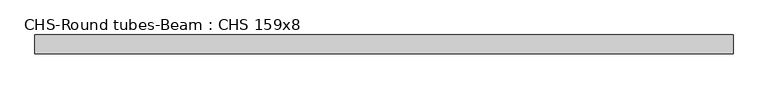
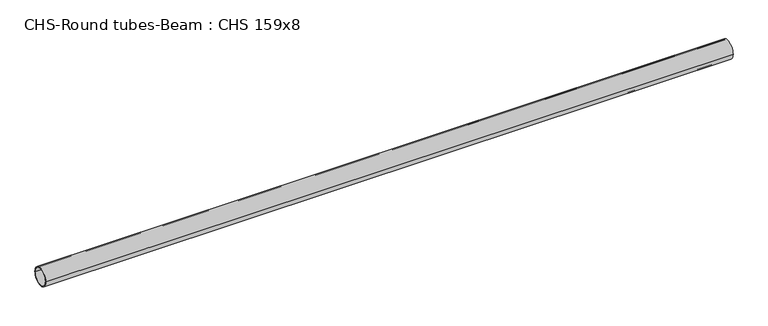
"""IFC4 building model written with IfcOpenShell, lengths in millimetres: beam geometry, CHS-Round tubes-Beam : CHS 159x8."""

from ifc_helpers import new_model, si_unit, point, frame, origin, origin_2d, place, context, project, spatial, circle_curve, trimmed, segment, composite_curve, outline, extrude, source, transform, mapped, element, save


def chs_round_tubes_beam_chs_159x8_f44df692(model_context):
    return source(origin(), model_context, "Body", "SweptSolid", [
        extrude(outline(composite_curve([segment(trimmed(circle_curve(origin_2d(), 79.5), [point((79.5, 0.0))], [point((-79.5, 0.0))], False, "CARTESIAN"), True, "CONTINUOUS"), segment(trimmed(circle_curve(origin_2d(), 79.5), [point((-79.5, 0.0))], [point((79.5, 0.0))], False, "CARTESIAN"), True, "CONTINUOUS")], self_intersect=False), holes=[composite_curve([segment(trimmed(circle_curve(origin_2d(), 71.5), [point((71.5, 0.0))], [point((-71.5, 0.0))], True, "CARTESIAN"), True, "CONTINUOUS"), segment(trimmed(circle_curve(origin_2d(), 71.5), [point((-71.5, 0.0))], [point((71.5, 0.0))], True, "CARTESIAN"), True, "CONTINUOUS")], self_intersect=False)]), frame((-2946.2744328, 0.0, 0.0), z_axis=(1.0, 0.0, 0.0), x_axis=(0.0, 1.0, 0.0)), (0.0, 0.0, 1.0), 5892.5488655),
    ])


if __name__ == "__main__":
    model = new_model("IFC4")
    model_context = context("Model", 3, world=origin())
    ifc_project = project(units=[si_unit("LENGTHUNIT", "METRE", prefix="MILLI")], contexts=[model_context])
    site = spatial("IfcSite", under=ifc_project)
    building = spatial("IfcBuilding", under=site)
    placement = place(None, origin())
    chs_round_tubes_beam_chs_159x8_shape = chs_round_tubes_beam_chs_159x8_f44df692(model_context)
    element("IfcBeam", 1, ObjectType="CHS-Round tubes-Beam : CHS 159x8", at=placement, inside=building, context=model_context, shape_type="MappedRepresentation", body=[
        mapped(chs_round_tubes_beam_chs_159x8_shape, transform((0.0, 0.0, 0.0), x_axis=(1.0, 0.0, 0.0), y_axis=(0.0, 1.0, 0.0), z_axis=(0.0, 0.0, 1.0))),
    ])
    save(model, "model.ifc")
